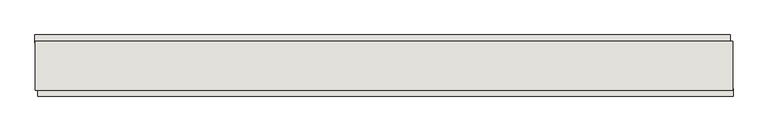
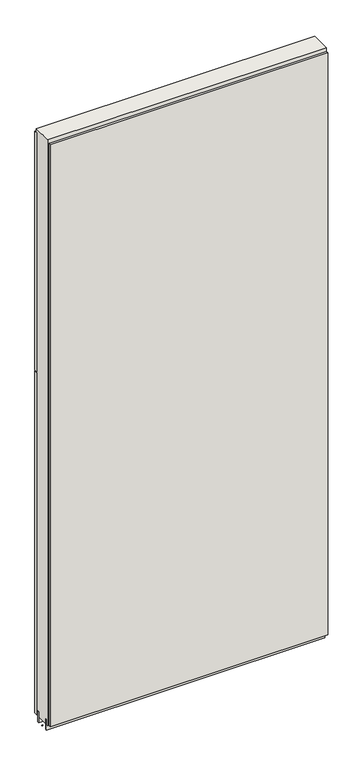
"""IFC4 building model written with IfcOpenShell, lengths in millimetres: wall geometry."""

from ifc_helpers import new_model, si_unit, frame, origin, place, context, project, spatial, polyline, outline, extrude, source, transform, mapped, element, save


def wall_a59c15e1(model_context):
    return source(origin(), model_context, "Body", "SweptSolid", [
        extrude(outline(polyline([(80477.455504, -45576.2245954), (80474.915504, -45576.2245954), (80474.915504, -45573.6845954), (80477.455504, -45573.6845954), (80477.455504, -45576.2245954)])), frame((0.0, 0.0, 4419.6), z_axis=(0.0, 0.0, 1.0), x_axis=(1.0, 0.0, 0.0)), (0.0, 0.0, 1.0), 2.54),
        extrude(outline(polyline([(80474.4455786, -45524.1545954), (81622.3764806, -45524.1545954), (81622.3764806, -45536.8545954), (80474.4455786, -45536.8545954), (80474.4455786, -45524.1545954)])), frame((0.0, 0.0, 5945.599869), z_axis=(0.0, 0.0, 1.0), x_axis=(1.0, 0.0, 0.0)), (0.0, 0.0, 1.0), 1044.449905),
        extrude(outline(polyline([(80474.4455786, -45524.1545954), (81622.3764806, -45524.1545954), (81622.3764806, -45536.8545954), (80474.4455786, -45536.8545954), (80474.4455786, -45524.1545954)])), frame((0.0, 0.0, 4445.0), z_axis=(0.0, 0.0, 1.0), x_axis=(1.0, 0.0, 0.0)), (0.0, 0.0, 1.0), 1496.600004),
        extrude(outline(polyline([(81627.312615, -45625.7545954), (80479.381713, -45625.7545954), (80479.381713, -45613.0545954), (81627.312615, -45613.0545954), (81627.312615, -45625.7545954)])), frame((0.0, 0.0, 4445.0), z_axis=(0.0, 0.0, 1.0), x_axis=(1.0, 0.0, 0.0)), (0.0, 0.0, 1.0), 2545.0498756),
        extrude(outline(polyline([(81626.8377366, -45549.8708508), (80474.920457, -45549.8708508), (80474.920457, -45544.7920954), (81626.8377366, -45544.7920954), (81626.8377366, -45549.8708508)])), frame((0.0, 0.0, 4418.6602), z_axis=(0.0, 0.0, 1.0), x_axis=(1.0, 0.0, 0.0)), (0.0, 0.0, 1.0), 47.625),
        extrude(outline(polyline([(81626.8377366, -45549.8708508), (80474.920457, -45549.8708508), (80474.920457, -45544.7920954), (81626.8377366, -45544.7920954), (81626.8377366, -45549.8708508)])), frame((0.0, 0.0, 4418.6602), z_axis=(0.0, 0.0, 1.0), x_axis=(1.0, 0.0, 0.0)), (0.0, 0.0, 1.0), 47.625),
        extrude(outline(polyline([(80474.920457, -45600.0352412), (81626.8377366, -45600.0352412), (81626.8377366, -45605.1170954), (80474.920457, -45605.1170954), (80474.920457, -45600.0352412)])), frame((0.0, 0.0, 4418.6602), z_axis=(0.0, 0.0, 1.0), x_axis=(1.0, 0.0, 0.0)), (0.0, 0.0, 1.0), 47.625),
        extrude(outline(polyline([(80474.920457, -45600.0352412), (81626.8377366, -45600.0352412), (81626.8377366, -45605.1170954), (80474.920457, -45605.1170954), (80474.920457, -45600.0352412)])), frame((0.0, 0.0, 4418.6602), z_axis=(0.0, 0.0, 1.0), x_axis=(1.0, 0.0, 0.0)), (0.0, 0.0, 1.0), 47.625),
        extrude(outline(polyline([(81626.8377366, -45534.3245014), (81626.8377366, -45615.606381), (80474.920457, -45615.606381), (80474.920457, -45534.3245014), (81626.8377366, -45534.3245014)])), frame((0.0, 0.0, 4445.0), z_axis=(0.0, 0.0, 1.0), x_axis=(1.0, 0.0, 0.0)), (0.0, 0.0, 1.0), 2562.4536762),
    ])


if __name__ == "__main__":
    model = new_model("IFC4")
    model_context = context("Model", 3, world=origin())
    ifc_project = project(units=[si_unit("LENGTHUNIT", "METRE", prefix="MILLI")], contexts=[model_context])
    site = spatial("IfcSite", under=ifc_project)
    building = spatial("IfcBuilding", under=site)
    placement = place(None, origin())
    wall_shape = wall_a59c15e1(model_context)
    element("IfcWall", 1, at=placement, inside=building, context=model_context, shape_type="MappedRepresentation", body=[
        mapped(wall_shape, transform((0.0, 0.0, 0.0), x_axis=(1.0, 0.0, 0.0), y_axis=(0.0, 1.0, 0.0), z_axis=(0.0, 0.0, 1.0))),
    ])
    save(model, "model.ifc")
